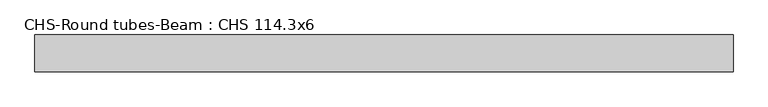
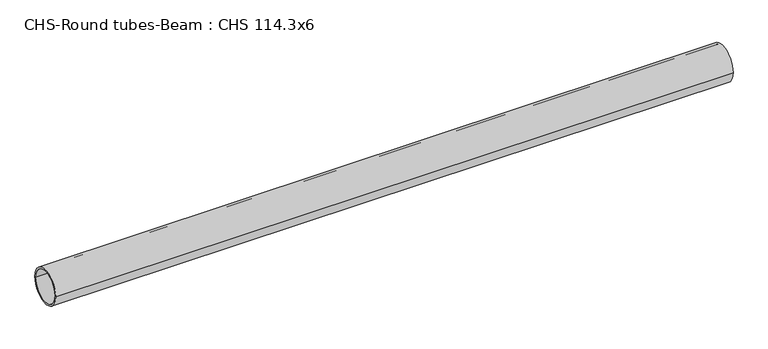
"""IFC4 building model written with IfcOpenShell, lengths in millimetres: beam geometry, CHS-Round tubes-Beam : CHS 114.3x6."""

from ifc_helpers import new_model, si_unit, point, frame, origin, origin_2d, place, context, project, spatial, circle_curve, trimmed, segment, composite_curve, outline, extrude, source, transform, mapped, element, save


def chs_round_tubes_beam_chs_114_3x6_ca132f40(model_context):
    return source(origin(), model_context, "Body", "SweptSolid", [
        extrude(outline(composite_curve([segment(trimmed(circle_curve(origin_2d(), 57.15), [point((57.15, 0.0))], [point((-57.15, 0.0))], False, "CARTESIAN"), True, "CONTINUOUS"), segment(trimmed(circle_curve(origin_2d(), 57.15), [point((-57.15, 0.0))], [point((57.15, 0.0))], False, "CARTESIAN"), True, "CONTINUOUS")], self_intersect=False), holes=[composite_curve([segment(trimmed(circle_curve(origin_2d(), 51.15), [point((51.15, 0.0))], [point((-51.15, 0.0))], True, "CARTESIAN"), True, "CONTINUOUS"), segment(trimmed(circle_curve(origin_2d(), 51.15), [point((-51.15, 0.0))], [point((51.15, 0.0))], True, "CARTESIAN"), True, "CONTINUOUS")], self_intersect=False)]), frame((-1038.1223353, 0.0, 0.0), z_axis=(1.0, 0.0, 0.0), x_axis=(0.0, 1.0, 0.0)), (0.0, 0.0, 1.0), 2152.2793637),
    ])


if __name__ == "__main__":
    model = new_model("IFC4")
    model_context = context("Model", 3, world=origin())
    ifc_project = project(units=[si_unit("LENGTHUNIT", "METRE", prefix="MILLI")], contexts=[model_context])
    site = spatial("IfcSite", under=ifc_project)
    building = spatial("IfcBuilding", under=site)
    placement = place(None, origin())
    chs_round_tubes_beam_chs_114_3x6_shape = chs_round_tubes_beam_chs_114_3x6_ca132f40(model_context)
    element("IfcBeam", 1, ObjectType="CHS-Round tubes-Beam : CHS 114.3x6", at=placement, inside=building, context=model_context, shape_type="MappedRepresentation", body=[
        mapped(chs_round_tubes_beam_chs_114_3x6_shape, transform((0.0, 0.0, 0.0), x_axis=(1.0, 0.0, 0.0), y_axis=(0.0, 1.0, 0.0), z_axis=(0.0, 0.0, 1.0))),
    ])
    save(model, "model.ifc")
